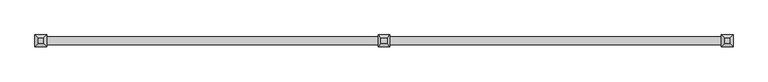
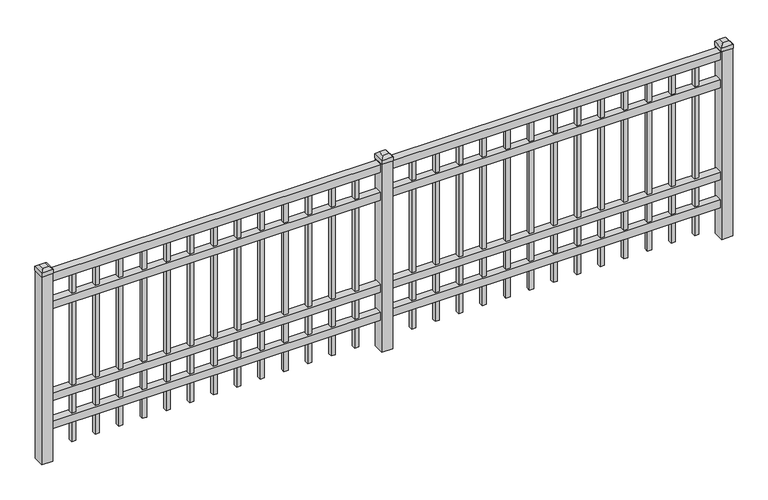
"""IFC4 building model written with IfcOpenShell, lengths in millimetres: railing geometry."""

from ifc_helpers import new_model, si_unit, frame, origin, origin_with_axes, place, context, project, spatial, polyline, outline, extrude, faceted_brep, source, transform, mapped, element, save


def railing_6bce2c6c(model_context):
    return source(origin(), model_context, "Body", "SolidModel", [
        extrude(outline(polyline([(-91799.918087, -6748.7195174), (-91799.918087, -6713.7945174), (-88650.318087, -6713.7945174), (-88650.318087, -6748.7195174), (-91799.918087, -6748.7195174)])), frame((0.0, 0.0, 876.3), z_axis=(0.0, 0.0, 1.0), x_axis=(1.0, 0.0, 0.0)), (0.0, 0.0, 1.0), 38.1),
        extrude(outline(polyline([(-91799.918087, -6748.7195174), (-91799.918087, -6713.7945174), (-88650.318087, -6713.7945174), (-88650.318087, -6748.7195174), (-91799.918087, -6748.7195174)])), frame((0.0, 0.0, 739.775), z_axis=(0.0, 0.0, 1.0), x_axis=(1.0, 0.0, 0.0)), (0.0, 0.0, 1.0), 38.1),
        extrude(outline(polyline([(-91799.918087, -6748.7195174), (-91799.918087, -6713.7945174), (-88650.318087, -6713.7945174), (-88650.318087, -6748.7195174), (-91799.918087, -6748.7195174)])), frame((0.0, 0.0, 288.925), z_axis=(0.0, 0.0, 1.0), x_axis=(1.0, 0.0, 0.0)), (0.0, 0.0, 1.0), 38.1),
        extrude(outline(polyline([(-91799.918087, -6748.7195174), (-91799.918087, -6713.7945174), (-88650.318087, -6713.7945174), (-88650.318087, -6748.7195174), (-91799.918087, -6748.7195174)])), frame((0.0, 0.0, 152.4), z_axis=(0.0, 0.0, 1.0), x_axis=(1.0, 0.0, 0.0)), (0.0, 0.0, 1.0), 38.1),
        extrude(outline(polyline([(-88881.8285036, -6721.7320174), (-88881.8285036, -6740.7820174), (-88900.8785036, -6740.7820174), (-88900.8785036, -6721.7320174), (-88881.8285036, -6721.7320174)])), frame((0.0, 0.0, 50.8), z_axis=(0.0, 0.0, 1.0), x_axis=(1.0, 0.0, 0.0)), (0.0, 0.0, 1.0), 825.5),
        extrude(outline(polyline([(-88991.1014203, -6721.7320174), (-88991.1014203, -6740.7820174), (-89010.1514203, -6740.7820174), (-89010.1514203, -6721.7320174), (-88991.1014203, -6721.7320174)])), frame((0.0, 0.0, 50.8), z_axis=(0.0, 0.0, 1.0), x_axis=(1.0, 0.0, 0.0)), (0.0, 0.0, 1.0), 825.5),
        extrude(outline(polyline([(-89100.374337, -6721.7320174), (-89100.374337, -6740.7820174), (-89119.424337, -6740.7820174), (-89119.424337, -6721.7320174), (-89100.374337, -6721.7320174)])), frame((0.0, 0.0, 50.8), z_axis=(0.0, 0.0, 1.0), x_axis=(1.0, 0.0, 0.0)), (0.0, 0.0, 1.0), 825.5),
        extrude(outline(polyline([(-89209.6472536, -6721.7320174), (-89209.6472536, -6740.7820174), (-89228.6972536, -6740.7820174), (-89228.6972536, -6721.7320174), (-89209.6472536, -6721.7320174)])), frame((0.0, 0.0, 50.8), z_axis=(0.0, 0.0, 1.0), x_axis=(1.0, 0.0, 0.0)), (0.0, 0.0, 1.0), 825.5),
        extrude(outline(polyline([(-89318.9201703, -6721.7320174), (-89318.9201703, -6740.7820174), (-89337.9701703, -6740.7820174), (-89337.9701703, -6721.7320174), (-89318.9201703, -6721.7320174)])), frame((0.0, 0.0, 50.8), z_axis=(0.0, 0.0, 1.0), x_axis=(1.0, 0.0, 0.0)), (0.0, 0.0, 1.0), 825.5),
        extrude(outline(polyline([(-89428.193087, -6721.7320174), (-89428.193087, -6740.7820174), (-89447.243087, -6740.7820174), (-89447.243087, -6721.7320174), (-89428.193087, -6721.7320174)])), frame((0.0, 0.0, 50.8), z_axis=(0.0, 0.0, 1.0), x_axis=(1.0, 0.0, 0.0)), (0.0, 0.0, 1.0), 825.5),
        extrude(outline(polyline([(-89537.4660036, -6721.7320174), (-89537.4660036, -6740.7820174), (-89556.5160036, -6740.7820174), (-89556.5160036, -6721.7320174), (-89537.4660036, -6721.7320174)])), frame((0.0, 0.0, 50.8), z_axis=(0.0, 0.0, 1.0), x_axis=(1.0, 0.0, 0.0)), (0.0, 0.0, 1.0), 825.5),
        extrude(outline(polyline([(-89646.7389203, -6721.7320174), (-89646.7389203, -6740.7820174), (-89665.7889203, -6740.7820174), (-89665.7889203, -6721.7320174), (-89646.7389203, -6721.7320174)])), frame((0.0, 0.0, 50.8), z_axis=(0.0, 0.0, 1.0), x_axis=(1.0, 0.0, 0.0)), (0.0, 0.0, 1.0), 825.5),
        extrude(outline(polyline([(-89756.011837, -6721.7320174), (-89756.011837, -6740.7820174), (-89775.061837, -6740.7820174), (-89775.061837, -6721.7320174), (-89756.011837, -6721.7320174)])), frame((0.0, 0.0, 50.8), z_axis=(0.0, 0.0, 1.0), x_axis=(1.0, 0.0, 0.0)), (0.0, 0.0, 1.0), 825.5),
        extrude(outline(polyline([(-89865.2847536, -6721.7320174), (-89865.2847536, -6740.7820174), (-89884.3347536, -6740.7820174), (-89884.3347536, -6721.7320174), (-89865.2847536, -6721.7320174)])), frame((0.0, 0.0, 50.8), z_axis=(0.0, 0.0, 1.0), x_axis=(1.0, 0.0, 0.0)), (0.0, 0.0, 1.0), 825.5),
        extrude(outline(polyline([(-89974.5576703, -6721.7320174), (-89974.5576703, -6740.7820174), (-89993.6076703, -6740.7820174), (-89993.6076703, -6721.7320174), (-89974.5576703, -6721.7320174)])), frame((0.0, 0.0, 50.8), z_axis=(0.0, 0.0, 1.0), x_axis=(1.0, 0.0, 0.0)), (0.0, 0.0, 1.0), 825.5),
        extrude(outline(polyline([(-88772.555587, -6721.7320174), (-88772.555587, -6740.7820174), (-88791.605587, -6740.7820174), (-88791.605587, -6721.7320174), (-88772.555587, -6721.7320174)])), frame((0.0, 0.0, 50.8), z_axis=(0.0, 0.0, 1.0), x_axis=(1.0, 0.0, 0.0)), (0.0, 0.0, 1.0), 825.5),
        extrude(outline(polyline([(-90083.830587, -6721.7320174), (-90083.830587, -6740.7820174), (-90102.880587, -6740.7820174), (-90102.880587, -6721.7320174), (-90083.830587, -6721.7320174)])), frame((0.0, 0.0, 50.8), z_axis=(0.0, 0.0, 1.0), x_axis=(1.0, 0.0, 0.0)), (0.0, 0.0, 1.0), 825.5),
        faceted_brep([(-90252.105587, -6704.2695174, 939.8), (-90252.105587, -6704.2695174, 920.75), (-90252.105587, -6758.2445174, 920.75), (-90252.105587, -6758.2445174, 939.8), (-90239.405587, -6716.9695174, 952.5), (-90239.405587, -6745.5445174, 952.5), (-90198.130587, -6758.2445174, 920.75), (-90198.130587, -6758.2445174, 939.8), (-90210.830587, -6745.5445174, 952.5), (-90198.130587, -6704.2695174, 920.75), (-90198.130587, -6704.2695174, 939.8), (-90210.830587, -6716.9695174, 952.5)], [[[0, 1, 2, 3]], [[4, 0, 3, 5]], [[3, 2, 6, 7]], [[5, 3, 7, 8]], [[7, 6, 9, 10]], [[8, 7, 10, 11]], [[10, 9, 1, 0]], [[11, 10, 0, 4]], [[5, 8, 11, 4]], [[1, 9, 6, 2]]]),
        extrude(outline(polyline([(-90199.718087, -6705.8570174), (-90199.718087, -6756.6570174), (-90250.518087, -6756.6570174), (-90250.518087, -6705.8570174), (-90199.718087, -6705.8570174)])), origin_with_axes(), (0.0, 0.0, 1.0), 920.75),
        extrude(outline(polyline([(-90456.6285036, -6721.7320174), (-90456.6285036, -6740.7820174), (-90475.6785036, -6740.7820174), (-90475.6785036, -6721.7320174), (-90456.6285036, -6721.7320174)])), frame((0.0, 0.0, 50.8), z_axis=(0.0, 0.0, 1.0), x_axis=(1.0, 0.0, 0.0)), (0.0, 0.0, 1.0), 825.5),
        extrude(outline(polyline([(-90565.9014203, -6721.7320174), (-90565.9014203, -6740.7820174), (-90584.9514203, -6740.7820174), (-90584.9514203, -6721.7320174), (-90565.9014203, -6721.7320174)])), frame((0.0, 0.0, 50.8), z_axis=(0.0, 0.0, 1.0), x_axis=(1.0, 0.0, 0.0)), (0.0, 0.0, 1.0), 825.5),
        extrude(outline(polyline([(-90675.174337, -6721.7320174), (-90675.174337, -6740.7820174), (-90694.224337, -6740.7820174), (-90694.224337, -6721.7320174), (-90675.174337, -6721.7320174)])), frame((0.0, 0.0, 50.8), z_axis=(0.0, 0.0, 1.0), x_axis=(1.0, 0.0, 0.0)), (0.0, 0.0, 1.0), 825.5),
        extrude(outline(polyline([(-90784.4472536, -6721.7320174), (-90784.4472536, -6740.7820174), (-90803.4972536, -6740.7820174), (-90803.4972536, -6721.7320174), (-90784.4472536, -6721.7320174)])), frame((0.0, 0.0, 50.8), z_axis=(0.0, 0.0, 1.0), x_axis=(1.0, 0.0, 0.0)), (0.0, 0.0, 1.0), 825.5),
        extrude(outline(polyline([(-90893.7201703, -6721.7320174), (-90893.7201703, -6740.7820174), (-90912.7701703, -6740.7820174), (-90912.7701703, -6721.7320174), (-90893.7201703, -6721.7320174)])), frame((0.0, 0.0, 50.8), z_axis=(0.0, 0.0, 1.0), x_axis=(1.0, 0.0, 0.0)), (0.0, 0.0, 1.0), 825.5),
        extrude(outline(polyline([(-91002.993087, -6721.7320174), (-91002.993087, -6740.7820174), (-91022.043087, -6740.7820174), (-91022.043087, -6721.7320174), (-91002.993087, -6721.7320174)])), frame((0.0, 0.0, 50.8), z_axis=(0.0, 0.0, 1.0), x_axis=(1.0, 0.0, 0.0)), (0.0, 0.0, 1.0), 825.5),
        extrude(outline(polyline([(-91112.2660036, -6721.7320174), (-91112.2660036, -6740.7820174), (-91131.3160036, -6740.7820174), (-91131.3160036, -6721.7320174), (-91112.2660036, -6721.7320174)])), frame((0.0, 0.0, 50.8), z_axis=(0.0, 0.0, 1.0), x_axis=(1.0, 0.0, 0.0)), (0.0, 0.0, 1.0), 825.5),
        extrude(outline(polyline([(-91221.5389203, -6721.7320174), (-91221.5389203, -6740.7820174), (-91240.5889203, -6740.7820174), (-91240.5889203, -6721.7320174), (-91221.5389203, -6721.7320174)])), frame((0.0, 0.0, 50.8), z_axis=(0.0, 0.0, 1.0), x_axis=(1.0, 0.0, 0.0)), (0.0, 0.0, 1.0), 825.5),
        extrude(outline(polyline([(-91330.811837, -6721.7320174), (-91330.811837, -6740.7820174), (-91349.861837, -6740.7820174), (-91349.861837, -6721.7320174), (-91330.811837, -6721.7320174)])), frame((0.0, 0.0, 50.8), z_axis=(0.0, 0.0, 1.0), x_axis=(1.0, 0.0, 0.0)), (0.0, 0.0, 1.0), 825.5),
        extrude(outline(polyline([(-91440.0847536, -6721.7320174), (-91440.0847536, -6740.7820174), (-91459.1347536, -6740.7820174), (-91459.1347536, -6721.7320174), (-91440.0847536, -6721.7320174)])), frame((0.0, 0.0, 50.8), z_axis=(0.0, 0.0, 1.0), x_axis=(1.0, 0.0, 0.0)), (0.0, 0.0, 1.0), 825.5),
        extrude(outline(polyline([(-91549.3576703, -6721.7320174), (-91549.3576703, -6740.7820174), (-91568.4076703, -6740.7820174), (-91568.4076703, -6721.7320174), (-91549.3576703, -6721.7320174)])), frame((0.0, 0.0, 50.8), z_axis=(0.0, 0.0, 1.0), x_axis=(1.0, 0.0, 0.0)), (0.0, 0.0, 1.0), 825.5),
        extrude(outline(polyline([(-90347.355587, -6721.7320174), (-90347.355587, -6740.7820174), (-90366.405587, -6740.7820174), (-90366.405587, -6721.7320174), (-90347.355587, -6721.7320174)])), frame((0.0, 0.0, 50.8), z_axis=(0.0, 0.0, 1.0), x_axis=(1.0, 0.0, 0.0)), (0.0, 0.0, 1.0), 825.5),
        extrude(outline(polyline([(-91658.630587, -6721.7320174), (-91658.630587, -6740.7820174), (-91677.680587, -6740.7820174), (-91677.680587, -6721.7320174), (-91658.630587, -6721.7320174)])), frame((0.0, 0.0, 50.8), z_axis=(0.0, 0.0, 1.0), x_axis=(1.0, 0.0, 0.0)), (0.0, 0.0, 1.0), 825.5),
        faceted_brep([(-88677.305587, -6704.2695174, 939.8), (-88677.305587, -6704.2695174, 920.75), (-88677.305587, -6758.2445174, 920.75), (-88677.305587, -6758.2445174, 939.8), (-88664.605587, -6716.9695174, 952.5), (-88664.605587, -6745.5445174, 952.5), (-88623.330587, -6758.2445174, 920.75), (-88623.330587, -6758.2445174, 939.8), (-88636.030587, -6745.5445174, 952.5), (-88623.330587, -6704.2695174, 920.75), (-88623.330587, -6704.2695174, 939.8), (-88636.030587, -6716.9695174, 952.5)], [[[0, 1, 2, 3]], [[4, 0, 3, 5]], [[3, 2, 6, 7]], [[5, 3, 7, 8]], [[7, 6, 9, 10]], [[8, 7, 10, 11]], [[10, 9, 1, 0]], [[11, 10, 0, 4]], [[5, 8, 11, 4]], [[1, 9, 6, 2]]]),
        extrude(outline(polyline([(-88624.918087, -6705.8570174), (-88624.918087, -6756.6570174), (-88675.718087, -6756.6570174), (-88675.718087, -6705.8570174), (-88624.918087, -6705.8570174)])), origin_with_axes(), (0.0, 0.0, 1.0), 920.75),
        faceted_brep([(-91826.905587, -6704.2695174, 939.8), (-91826.905587, -6704.2695174, 920.75), (-91826.905587, -6758.2445174, 920.75), (-91826.905587, -6758.2445174, 939.8), (-91814.205587, -6716.9695174, 952.5), (-91814.205587, -6745.5445174, 952.5), (-91772.930587, -6758.2445174, 920.75), (-91772.930587, -6758.2445174, 939.8), (-91785.630587, -6745.5445174, 952.5), (-91772.930587, -6704.2695174, 920.75), (-91772.930587, -6704.2695174, 939.8), (-91785.630587, -6716.9695174, 952.5)], [[[0, 1, 2, 3]], [[4, 0, 3, 5]], [[3, 2, 6, 7]], [[5, 3, 7, 8]], [[7, 6, 9, 10]], [[8, 7, 10, 11]], [[10, 9, 1, 0]], [[11, 10, 0, 4]], [[5, 8, 11, 4]], [[1, 9, 6, 2]]]),
        extrude(outline(polyline([(-91774.518087, -6705.8570174), (-91774.518087, -6756.6570174), (-91825.318087, -6756.6570174), (-91825.318087, -6705.8570174), (-91774.518087, -6705.8570174)])), origin_with_axes(), (0.0, 0.0, 1.0), 920.75),
    ])


if __name__ == "__main__":
    model = new_model("IFC4")
    model_context = context("Model", 3, world=origin())
    ifc_project = project(units=[si_unit("LENGTHUNIT", "METRE", prefix="MILLI")], contexts=[model_context])
    site = spatial("IfcSite", under=ifc_project)
    building = spatial("IfcBuilding", under=site)
    placement = place(None, origin())
    railing_shape = railing_6bce2c6c(model_context)
    element("IfcRailing", 1, at=placement, inside=building, context=model_context, shape_type="MappedRepresentation", body=[
        mapped(railing_shape, transform((0.0, 0.0, 0.0), x_axis=(1.0, 0.0, 0.0), y_axis=(0.0, 1.0, 0.0), z_axis=(0.0, 0.0, 1.0))),
    ])
    save(model, "model.ifc")
